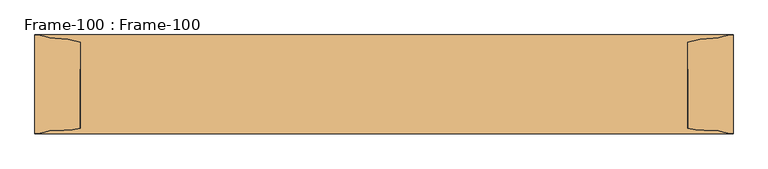
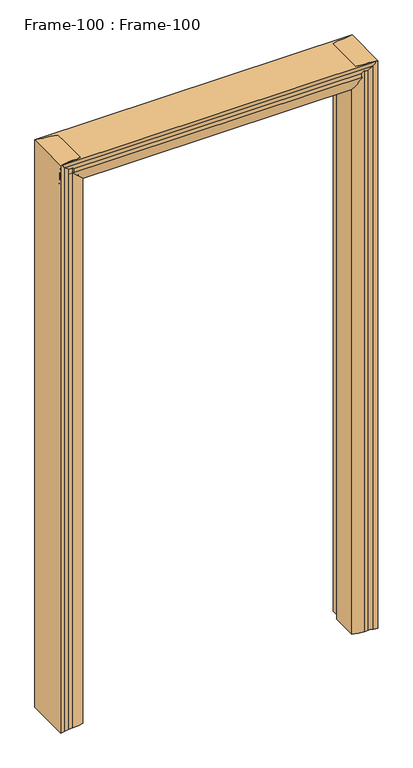
"""IFC4 building model written with IfcOpenShell, lengths in millimetres: door geometry, Frame-100 : Frame-100."""

from ifc_helpers import new_model, si_unit, frame, origin, place, context, project, spatial, polyline, circle_curve, ellipse_curve, source, transform, mapped, element, save
from ifc_brep_helpers import plane_surface, cylinder_surface, revolved_surface, advanced_brep


def frame_100_frame_100_33f8a8ae(model_context):
    return source(origin(), model_context, "Body", "AdvancedBrep", [
        advanced_brep(
        [(-584.2, -82.55, 0.0), (-584.2, 82.55, 0.0), (-568.7106804, 80.0334981, 0.0), (-551.2091669, 76.956654, 0.0), (-508.0, 69.85, 0.0), (-508.0, 25.4, 0.0), (-495.3, 25.4, 0.0), (-495.3, -69.85, 0.0), (-536.0430108, -76.956654, 0.0), (-551.2091669, -76.956654, 0.0), (-568.7106804, -80.0334981, 0.0), (-584.2, -82.55, 2209.8), (-584.2, 82.55, 2209.8), (-568.7106804, 80.0334981, 2209.8), (-551.2091669, 76.956654, 2209.8), (-508.0, 69.85, 2209.8), (-508.0, 25.4, 2209.8), (-495.3, 25.4, 2197.1), (-495.3, -69.85, 2197.1), (-508.0, -73.6437313, 2209.8), (-536.0430108, -76.956654, 2209.8), (-551.2091669, -76.956654, 2209.8), (-568.7106804, -80.0334981, 2209.8)],
        [
            (0, 1),
            (1, 2, circle_curve(frame((-583.1670501, 39.9805064, 0.0), z_axis=(0.0, 0.0, -1.0), x_axis=(-1.0, 0.0, 0.0)), 42.582024)),
            (2, 3, circle_curve(frame((-551.1225129, 128.7634863, 0.0), z_axis=(0.0, 0.0, 1.0), x_axis=(-1.0, 0.0, 0.0)), 51.8069047)),
            (3, 4, circle_curve(frame((-551.4371432, -59.3408202, 0.0), z_axis=(0.0, 0.0, -1.0), x_axis=(-1.0, 0.0, 0.0)), 136.2976648)),
            (4, 5),
            (5, 6),
            (6, 7),
            (7, 8, circle_curve(frame((-536.0430108, 43.3881292, 0.0), z_axis=(0.0, 0.0, -1.0), x_axis=(-1.0, 0.0, 0.0)), 120.3447831)),
            (8, 9),
            (9, 10, circle_curve(frame((-551.1225129, -128.7634863, 0.0), z_axis=(0.0, 0.0, 1.0), x_axis=(-1.0, 0.0, 0.0)), 51.8069048)),
            (10, 0, circle_curve(frame((-583.1670501, -39.9805064, 0.0), z_axis=(0.0, 0.0, -1.0), x_axis=(-1.0, 0.0, 0.0)), 42.582024)),
            (0, 11),
            (11, 12),
            (12, 1),
            (12, 13, circle_curve(frame((-583.1670501, 39.9805064, 2209.8), z_axis=(0.0, 0.0, -1.0), x_axis=(-1.0, 0.0, 0.0)), 42.582024)),
            (13, 2),
            (13, 14, circle_curve(frame((-551.1225129, 128.7634863, 2209.8), z_axis=(0.0, 0.0, 1.0), x_axis=(-1.0, 0.0, 0.0)), 51.8069047)),
            (14, 3),
            (14, 15, circle_curve(frame((-551.4371432, -59.3408202, 2209.8), z_axis=(0.0, 0.0, -1.0), x_axis=(-1.0, 0.0, 0.0)), 136.2976648)),
            (15, 4),
            (15, 16),
            (16, 5),
            (16, 17),
            (17, 6),
            (17, 18),
            (18, 7),
            (18, 19, ellipse_curve(frame((-536.0430108, 43.3881292, 2237.8430108), z_axis=(-0.7071067811865488, 0.0, -0.7071067811865464), x_axis=(0.7071067811865465, 0.0, -0.7071067811865487)), 170.1932244, 120.3447831)),
            (19, 20, circle_curve(frame((-536.0430108, 43.3881292, 2209.8), z_axis=(0.0, 0.0, -1.0), x_axis=(-1.0, 0.0, 0.0)), 120.3447831)),
            (20, 8),
            (20, 21),
            (21, 9),
            (21, 22, circle_curve(frame((-551.1225129, -128.7634863, 2209.8), z_axis=(0.0, 0.0, 1.0), x_axis=(-1.0, 0.0, 0.0)), 51.8069048)),
            (22, 10),
            (22, 11, circle_curve(frame((-583.1670501, -39.9805064, 2209.8), z_axis=(0.0, 0.0, -1.0), x_axis=(-1.0, 0.0, 0.0)), 42.582024)),
            (16, 19),
        ],
        [
            plane_surface(frame((-584.2, 69.85, 0.0), z_axis=(0.0, 0.0, -1.0), x_axis=(0.0, -1.0, 0.0))),
            plane_surface(frame((-584.2, -82.55, 0.0), z_axis=(-1.0, 0.0, 0.0), x_axis=(0.0, 0.0, 1.0))),
            cylinder_surface(frame((-583.1670501, 39.9805064, 0.0), z_axis=(0.0, 0.0, -1.0), x_axis=(-1.0, 0.0, 0.0)), 42.582024),
            revolved_surface(polyline([(-602.9294176, 128.7634863, 2209.8), (-602.9294176, 128.7634863, 0.0)]), (-551.1225129, 128.7634863, 0.0), (0.0, 0.0, 1.0)),
            cylinder_surface(frame((-551.4371432, -59.3408202, 0.0), z_axis=(0.0, 0.0, -1.0), x_axis=(-1.0, 0.0, 0.0)), 136.2976648),
            plane_surface(frame((-508.0, 69.85, 0.0), z_axis=(1.0, 0.0, 0.0), x_axis=(0.0, 0.0, 1.0))),
            plane_surface(frame((-508.0, 25.4, 0.0), z_axis=(0.0, 1.0, 0.0), x_axis=(0.0, 0.0, 1.0))),
            plane_surface(frame((-495.3, 25.4, 0.0), z_axis=(1.0, 0.0, 0.0), x_axis=(0.0, 0.0, 1.0))),
            cylinder_surface(frame((-536.0430108, 43.3881292, 0.0), z_axis=(0.0, 0.0, -1.0), x_axis=(-1.0, 0.0, 0.0)), 120.3447831),
            plane_surface(frame((-536.0430108, -76.956654, 0.0), z_axis=(0.0, -1.0, 0.0), x_axis=(0.0, 0.0, 1.0))),
            revolved_surface(polyline([(-602.9294176999999, -128.7634863, 2209.8), (-602.9294176999999, -128.7634863, 0.0)]), (-551.1225129, -128.7634863, 0.0), (0.0, 0.0, 1.0)),
            cylinder_surface(frame((-583.1670501, -39.9805064, 0.0), z_axis=(0.0, 0.0, -1.0), x_axis=(-1.0, 0.0, 0.0)), 42.582024),
            plane_surface(frame((-508.0, -107.95, 2209.8), z_axis=(0.7071067811865488, 0.0, 0.7071067811865464), x_axis=(0.0, 1.0, 0.0))),
            plane_surface(frame((-584.2, 69.85, 2209.8), z_axis=(0.0, 0.0, 1.0), x_axis=(0.0, -1.0, 0.0))),
        ],
        [
            (0, [[1, 2, 3, 4, 5, 6, 7, 8, 9, 10, 11]]),
            (1, [[-1, 12, 13, 14]]),
            (2, [[-2, -14, 15, 16]]),
            (3, [[-3, -16, 17, 18]]),
            (4, [[-4, -18, 19, 20]]),
            (5, [[-5, -20, 21, 22]]),
            (6, [[-6, -22, 23, 24]]),
            (7, [[-7, -24, 25, 26]]),
            (8, [[-8, -26, 27, 28, 29]]),
            (9, [[-9, -29, 30, 31]]),
            (10, [[-10, -31, 32, 33]]),
            (11, [[-11, -33, 34, -12]]),
            (12, [[-27, -25, -23, 35]]),
            (13, [[-34, -32, -30, -28, -35, -21, -19, -17, -15, -13]]),
        ],
    ),
        advanced_brep(
        [(584.2, -82.55, 0.0), (568.7106804, -80.0334981, 0.0), (551.2091669, -76.956654, 0.0), (536.0430108, -76.956654, 0.0), (495.3, -69.85, 0.0), (495.3, 25.4, 0.0), (508.0, 25.4, 0.0), (508.0, 69.85, 0.0), (551.2091669, 76.956654, 0.0), (568.7106804, 80.0334981, 0.0), (584.2, 82.55, 0.0), (584.2, -82.55, 2209.8), (568.7106804, -80.0334981, 2209.8), (551.2091669, -76.956654, 2209.8), (536.0430108, -76.956654, 2209.8), (508.0, -73.6437313, 2209.8), (495.3, -69.85, 2197.1), (495.3, 25.4, 2197.1), (508.0, 25.4, 2209.8), (508.0, 69.85, 2209.8), (551.2091669, 76.956654, 2209.8), (568.7106804, 80.0334981, 2209.8), (584.2, 82.55, 2209.8)],
        [
            (0, 1, circle_curve(frame((583.1670501, -39.9805064, 0.0), z_axis=(0.0, 0.0, -1.0), x_axis=(-1.0, 0.0, 0.0)), 42.582024)),
            (1, 2, circle_curve(frame((551.1225129, -128.7634863, 0.0), z_axis=(0.0, 0.0, 1.0), x_axis=(-1.0, 0.0, 0.0)), 51.8069048)),
            (2, 3),
            (3, 4, circle_curve(frame((536.0430108, 43.3881292, 0.0), z_axis=(0.0, 0.0, -1.0), x_axis=(-1.0, 0.0, 0.0)), 120.3447831)),
            (4, 5),
            (5, 6),
            (6, 7),
            (7, 8, circle_curve(frame((551.4371432, -59.3408202, 0.0), z_axis=(0.0, 0.0, -1.0), x_axis=(-1.0, 0.0, 0.0)), 136.2976648)),
            (8, 9, circle_curve(frame((551.1225129, 128.7634863, 0.0), z_axis=(0.0, 0.0, 1.0), x_axis=(-1.0, 0.0, 0.0)), 51.8069048)),
            (9, 10, circle_curve(frame((583.1670501, 39.9805064, 0.0), z_axis=(0.0, 0.0, -1.0), x_axis=(-1.0, 0.0, 0.0)), 42.582024)),
            (10, 0),
            (0, 11),
            (11, 12, circle_curve(frame((583.1670501, -39.9805064, 2209.8), z_axis=(0.0, 0.0, -1.0), x_axis=(-1.0, 0.0, 0.0)), 42.582024)),
            (12, 1),
            (12, 13, circle_curve(frame((551.1225129, -128.7634863, 2209.8), z_axis=(0.0, 0.0, 1.0), x_axis=(-1.0, 0.0, 0.0)), 51.8069048)),
            (13, 2),
            (13, 14),
            (14, 3),
            (14, 15, circle_curve(frame((536.0430108, 43.3881292, 2209.8), z_axis=(0.0, 0.0, -1.0), x_axis=(-1.0, 0.0, 0.0)), 120.3447831)),
            (15, 16, ellipse_curve(frame((536.0430108, 43.3881292, 2237.8430108), z_axis=(0.7071067811865469, 0.0, -0.7071067811865481), x_axis=(-0.7071067811865481, 0.0, -0.7071067811865469)), 170.1932244, 120.3447831)),
            (16, 4),
            (16, 17),
            (17, 5),
            (17, 18),
            (18, 6),
            (18, 19),
            (19, 7),
            (19, 20, circle_curve(frame((551.4371432, -59.3408202, 2209.8), z_axis=(0.0, 0.0, -1.0), x_axis=(-1.0, 0.0, 0.0)), 136.2976648)),
            (20, 8),
            (20, 21, circle_curve(frame((551.1225129, 128.7634863, 2209.8), z_axis=(0.0, 0.0, 1.0), x_axis=(-1.0, 0.0, 0.0)), 51.8069048)),
            (21, 9),
            (21, 22, circle_curve(frame((583.1670501, 39.9805064, 2209.8), z_axis=(0.0, 0.0, -1.0), x_axis=(-1.0, 0.0, 0.0)), 42.582024)),
            (22, 10),
            (22, 11),
            (15, 18),
        ],
        [
            plane_surface(frame((584.2, 69.85, 0.0), z_axis=(0.0, 0.0, -1.0), x_axis=(0.0, -1.0, 0.0))),
            cylinder_surface(frame((583.1670501, -39.9805064, 0.0), z_axis=(0.0, 0.0, -1.0), x_axis=(-1.0, 0.0, 0.0)), 42.582024),
            revolved_surface(polyline([(499.31560809999996, -128.7634863, 2209.8), (499.31560809999996, -128.7634863, 0.0)]), (551.1225129, -128.7634863, 0.0), (0.0, 0.0, 1.0)),
            plane_surface(frame((551.2091669, -76.956654, 0.0), z_axis=(0.0, -1.0, 0.0), x_axis=(0.0, 0.0, 1.0))),
            cylinder_surface(frame((536.0430108, 43.3881292, 0.0), z_axis=(0.0, 0.0, -1.0), x_axis=(-1.0, 0.0, 0.0)), 120.3447831),
            plane_surface(frame((495.3, -69.85, 0.0), z_axis=(-1.0, 0.0, 0.0), x_axis=(0.0, 0.0, 1.0))),
            plane_surface(frame((495.3, 25.4, 0.0), z_axis=(0.0, 1.0, 0.0), x_axis=(0.0, 0.0, 1.0))),
            plane_surface(frame((508.0, 25.4, 0.0), z_axis=(-1.0, 0.0, 0.0), x_axis=(0.0, 0.0, 1.0))),
            cylinder_surface(frame((551.4371432, -59.3408202, 0.0), z_axis=(0.0, 0.0, -1.0), x_axis=(-1.0, 0.0, 0.0)), 136.2976648),
            revolved_surface(polyline([(499.31560809999996, 128.7634863, 2209.8), (499.31560809999996, 128.7634863, 0.0)]), (551.1225129, 128.7634863, 0.0), (0.0, 0.0, 1.0)),
            cylinder_surface(frame((583.1670501, 39.9805064, 0.0), z_axis=(0.0, 0.0, -1.0), x_axis=(-1.0, 0.0, 0.0)), 42.582024),
            plane_surface(frame((584.2, 82.55, 0.0), z_axis=(1.0, 0.0, 0.0), x_axis=(0.0, 0.0, 1.0))),
            plane_surface(frame((469.9, -107.95, 2171.7), z_axis=(-0.7071067811865469, 0.0, 0.7071067811865481), x_axis=(0.0, 1.0, 0.0))),
            plane_surface(frame((584.2, 69.85, 2209.8), z_axis=(0.0, 0.0, 1.0), x_axis=(0.0, -1.0, 0.0))),
        ],
        [
            (0, [[1, 2, 3, 4, 5, 6, 7, 8, 9, 10, 11]]),
            (1, [[-1, 12, 13, 14]]),
            (2, [[-2, -14, 15, 16]]),
            (3, [[-3, -16, 17, 18]]),
            (4, [[-4, -18, 19, 20, 21]]),
            (5, [[-5, -21, 22, 23]]),
            (6, [[-6, -23, 24, 25]]),
            (7, [[-7, -25, 26, 27]]),
            (8, [[-8, -27, 28, 29]]),
            (9, [[-9, -29, 30, 31]]),
            (10, [[-10, -31, 32, 33]]),
            (11, [[-11, -33, 34, -12]]),
            (12, [[-20, 35, -24, -22]]),
            (13, [[-13, -34, -32, -30, -28, -26, -35, -19, -17, -15]]),
        ],
    ),
        advanced_brep(
        [(-584.2, -82.55, 2209.8), (-584.2, -80.0334981, 2194.3106804), (584.2, -80.0334981, 2194.3106804), (584.2, -82.55, 2209.8), (-584.2, -76.956654, 2176.8091669), (584.2, -76.956654, 2176.8091669), (-584.2, -76.956654, 2161.6430108), (584.2, -76.956654, 2161.6430108), (-584.2, -73.6437313, 2133.6), (-571.5, -69.85, 2120.9), (546.1, -69.85, 2120.9), (584.2, -73.6437313, 2133.6), (546.1, 25.4, 2120.9), (-571.5, 25.4, 2120.9), (-584.2, 25.4, 2133.6), (584.2, 25.4, 2133.6), (-584.2, 69.85, 2133.6), (584.2, 69.85, 2133.6), (-584.2, 76.956654, 2176.8091669), (584.2, 76.956654, 2176.8091669), (-584.2, 80.0334981, 2194.3106804), (584.2, 80.0334981, 2194.3106804), (-584.2, 82.55, 2209.8), (584.2, 82.55, 2209.8)],
        [
            (0, 1, circle_curve(frame((-584.2, -39.9805064, 2208.7670501), z_axis=(1.0, 0.0, 0.0), x_axis=(0.0, 0.0, 1.0)), 42.582024)),
            (1, 2),
            (2, 3, circle_curve(frame((584.2, -39.9805064, 2208.7670501), z_axis=(-1.0, 0.0, 0.0), x_axis=(0.0, 0.0, 1.0)), 42.582024)),
            (3, 0),
            (1, 4, circle_curve(frame((-584.2, -128.7634863, 2176.7225129), z_axis=(-1.0, 0.0, 0.0), x_axis=(0.0, 0.0, 1.0)), 51.8069048)),
            (4, 5),
            (5, 2, circle_curve(frame((584.2, -128.7634863, 2176.7225129), z_axis=(1.0, 0.0, 0.0), x_axis=(0.0, 0.0, 1.0)), 51.8069048)),
            (4, 6),
            (6, 7),
            (7, 5),
            (6, 8, circle_curve(frame((-584.2, 43.3881292, 2161.6430108), z_axis=(1.0, 0.0, 0.0), x_axis=(0.0, 0.0, 1.0)), 120.3447831)),
            (8, 9, ellipse_curve(frame((-612.2430108, 43.3881292, 2161.6430108), z_axis=(0.7071067811865526, 0.0, 0.7071067811865426), x_axis=(-0.7071067811865424, 0.0, 0.7071067811865527)), 170.1932244, 120.3447831)),
            (9, 10),
            (10, 11, ellipse_curve(frame((668.3290324, 43.3881292, 2161.6430108), z_axis=(-0.3162277660168449, 0.0, 0.9486832980505115), x_axis=(-0.9486832980505115, 0.0, -0.316227766016845)), 380.5636192, 120.3447831)),
            (11, 7, circle_curve(frame((584.2, 43.3881292, 2161.6430108), z_axis=(-1.0, 0.0, 0.0), x_axis=(0.0, 0.0, 1.0)), 120.3447831)),
            (12, 10),
            (9, 13),
            (13, 12),
            (14, 15),
            (15, 12),
            (13, 14),
            (14, 16),
            (16, 17),
            (17, 15),
            (16, 18, circle_curve(frame((-584.2, -59.3408202, 2177.0371432), z_axis=(1.0, 0.0, 0.0), x_axis=(0.0, 0.0, 1.0)), 136.2976648)),
            (18, 19),
            (19, 17, circle_curve(frame((584.2, -59.3408202, 2177.0371432), z_axis=(-1.0, 0.0, 0.0), x_axis=(0.0, 0.0, 1.0)), 136.2976648)),
            (18, 20, circle_curve(frame((-584.2, 128.7634863, 2176.7225129), z_axis=(-1.0, 0.0, 0.0), x_axis=(0.0, 0.0, 1.0)), 51.8069048)),
            (20, 21),
            (21, 19, circle_curve(frame((584.2, 128.7634863, 2176.7225129), z_axis=(1.0, 0.0, 0.0), x_axis=(0.0, 0.0, 1.0)), 51.8069048)),
            (20, 22, circle_curve(frame((-584.2, 39.9805064, 2208.7670501), z_axis=(1.0, 0.0, 0.0), x_axis=(0.0, 0.0, 1.0)), 42.582024)),
            (22, 23),
            (23, 21, circle_curve(frame((584.2, 39.9805064, 2208.7670501), z_axis=(-1.0, 0.0, 0.0), x_axis=(0.0, 0.0, 1.0)), 42.582024)),
            (22, 0),
            (3, 23),
            (15, 11),
            (8, 14),
        ],
        [
            cylinder_surface(frame((-584.2, -39.9805064, 2208.7670501), z_axis=(-1.0, 0.0, 0.0), x_axis=(0.0, 0.0, 1.0)), 42.582024),
            revolved_surface(polyline([(584.2, -128.7634863, 2228.5294177), (-584.2, -128.7634863, 2228.5294177)]), (-584.2, -128.7634863, 2176.7225129), (1.0, 0.0, 0.0)),
            plane_surface(frame((-584.2, -76.956654, 2161.6430108), z_axis=(0.0, -1.0, 0.0), x_axis=(1.0, 0.0, 0.0))),
            cylinder_surface(frame((-584.2, 43.3881292, 2161.6430108), z_axis=(-1.0, 0.0, 0.0), x_axis=(0.0, 0.0, 1.0)), 120.3447831),
            plane_surface(frame((-584.2, 25.4, 2120.9), z_axis=(0.0, 0.0, -1.0), x_axis=(1.0, 0.0, 0.0))),
            plane_surface(frame((-584.2, 25.4, 2133.6), z_axis=(0.0, 1.0, 0.0), x_axis=(1.0, 0.0, 0.0))),
            plane_surface(frame((-584.2, 69.85, 2133.6), z_axis=(0.0, 0.0, -1.0), x_axis=(1.0, 0.0, 0.0))),
            cylinder_surface(frame((-584.2, -59.3408202, 2177.0371432), z_axis=(-1.0, 0.0, 0.0), x_axis=(0.0, 0.0, 1.0)), 136.2976648),
            revolved_surface(polyline([(584.2, 128.7634863, 2228.5294177), (-584.2, 128.7634863, 2228.5294177)]), (-584.2, 128.7634863, 2176.7225129), (1.0, 0.0, 0.0)),
            cylinder_surface(frame((-584.2, 39.9805064, 2208.7670501), z_axis=(-1.0, 0.0, 0.0), x_axis=(0.0, 0.0, 1.0)), 42.582024),
            plane_surface(frame((-584.2, -82.55, 2209.8), z_axis=(0.0, 0.0, 1.0), x_axis=(1.0, 0.0, 0.0))),
            plane_surface(frame((584.2, -107.95, 2133.6), z_axis=(0.3162277660168449, 0.0, -0.9486832980505115), x_axis=(0.0, 1.0, 0.0))),
            plane_surface(frame((-546.1, -107.95, 2095.5), z_axis=(-0.7071067811865526, 0.0, -0.7071067811865426), x_axis=(0.0, 1.0, 0.0))),
            plane_surface(frame((-584.2, 69.85, 2209.8), z_axis=(-1.0, 0.0, 0.0), x_axis=(0.0, -1.0, 0.0))),
            plane_surface(frame((584.2, 69.85, 2209.8), z_axis=(1.0, 0.0, 0.0), x_axis=(0.0, -1.0, 0.0))),
        ],
        [
            (0, [[1, 2, 3, 4]]),
            (1, [[5, 6, 7, -2]]),
            (2, [[8, 9, 10, -6]]),
            (3, [[-9, 11, 12, 13, 14, 15]]),
            (4, [[16, -13, 17, 18]]),
            (5, [[19, 20, -18, 21]]),
            (6, [[22, 23, 24, -19]]),
            (7, [[25, 26, 27, -23]]),
            (8, [[28, 29, 30, -26]]),
            (9, [[31, 32, 33, -29]]),
            (10, [[34, -4, 35, -32]]),
            (11, [[-14, -16, -20, 36]]),
            (12, [[37, -21, -17, -12]]),
            (13, [[-34, -31, -28, -25, -22, -37, -11, -8, -5, -1]]),
            (14, [[-3, -7, -10, -15, -36, -24, -27, -30, -33, -35]]),
        ],
    ),
    ])


if __name__ == "__main__":
    model = new_model("IFC4")
    model_context = context("Model", 3, world=origin())
    ifc_project = project(units=[si_unit("LENGTHUNIT", "METRE", prefix="MILLI")], contexts=[model_context])
    site = spatial("IfcSite", under=ifc_project)
    building = spatial("IfcBuilding", under=site)
    placement = place(None, origin())
    frame_100_frame_100_shape = frame_100_frame_100_33f8a8ae(model_context)
    element("IfcDoor", 1, ObjectType="Frame-100 : Frame-100", at=placement, inside=building, context=model_context, shape_type="MappedRepresentation", body=[
        mapped(frame_100_frame_100_shape, transform((0.0, 0.0, 0.0), x_axis=(1.0, 0.0, 0.0), y_axis=(0.0, 1.0, 0.0), z_axis=(0.0, 0.0, 1.0))),
    ])
    save(model, "model.ifc")
